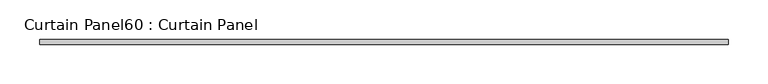
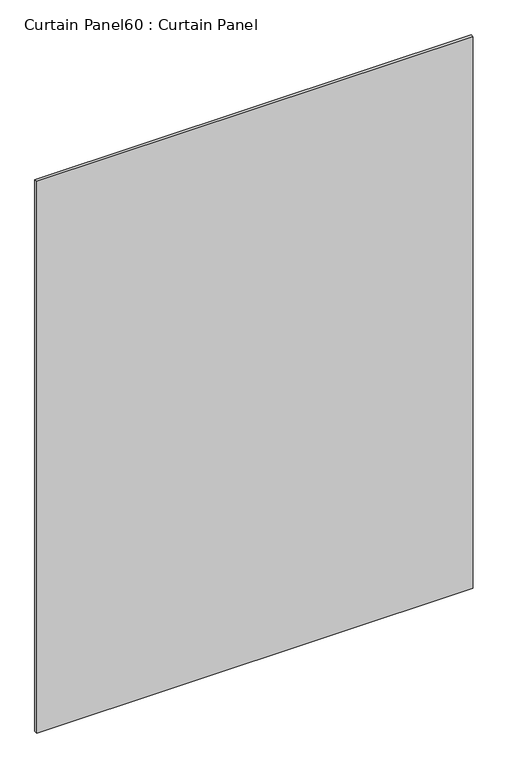
"""IFC4 building model written with IfcOpenShell, lengths in millimetres: plate geometry, Curtain Panel60 : Curtain Panel."""

import ifcopenshell
import ifcopenshell.guid

model = None  # the IFC model being written
_history = None  # IfcOwnerHistory: only IFC2X3 demands one
_inside = {}  # id of a spatial element -> (the spatial element, [elements in it])
_under = {}  # id of a project, library or spatial element -> (it, [spatial elements below it])
_declared = {}  # id of a project -> (the project, [libraries it declares])
_typed = {}  # id of a type object -> (the type object, [elements of that type])
_made_of = {}  # id of a material, layer set ... -> (it, [elements and type objects made of it])


def new_model(schema):
    """Start an empty IFC model of exactly this schema.

    Asked for "IFC4X3", IfcOpenShell would pick the latest addendum, in which some entities
    have other attributes; the version numbers below select the first issue.
    IFC2X3 requires an IfcOwnerHistory on every rooted entity: one is made here for all.
    """
    global model, _history
    if schema == "IFC4X3":
        model = ifcopenshell.file(schema_version=(4, 3, 0, 0))
    else:
        model = ifcopenshell.file(schema=schema)
    _inside.clear()
    _under.clear()
    _declared.clear()
    _typed.clear()
    _made_of.clear()
    _history = None
    if model.schema == "IFC2X3":
        org = make("IfcOrganization", Name="unknown")
        user = make(
            "IfcPersonAndOrganization",
            ThePerson=make("IfcPerson", FamilyName="unknown"),
            TheOrganization=org,
        )
        app = make(
            "IfcApplication",
            ApplicationDeveloper=org,
            Version="unknown",
            ApplicationFullName="unknown",
            ApplicationIdentifier="unknown",
        )
        _history = make(
            "IfcOwnerHistory",
            OwningUser=user,
            OwningApplication=app,
            ChangeAction="ADDED",
            CreationDate=0,
        )
    return model


def make(cls, **values):
    """One entity of the class cls with the attributes given. An attribute that is None is left unset."""
    return model.create_entity(
        cls, **{name: value for name, value in values.items() if value is not None}
    )


def rooted(cls, **values):
    """An entity with a GlobalId (a new one), such as an element, a storey or a relation."""
    return make(cls, GlobalId=ifcopenshell.guid.new(), OwnerHistory=_history, **values)


def si_unit(unit_type, name, prefix=None):
    """IfcSIUnit, for example si_unit("LENGTHUNIT", "METRE", prefix="MILLI")."""
    return make("IfcSIUnit", UnitType=unit_type, Prefix=prefix, Name=name)


def assignment(units):
    """IfcUnitAssignment: the units of a project."""
    return None if units is None else make("IfcUnitAssignment", Units=units)


def point(xyz):
    """IfcCartesianPoint."""
    return None if xyz is None else make("IfcCartesianPoint", Coordinates=xyz)


def direction(xyz):
    """IfcDirection."""
    return None if xyz is None else make("IfcDirection", DirectionRatios=xyz)


def frame(location, z_axis=None, x_axis=None):
    """IfcAxis2Placement3D, a coordinate frame: its origin and axes. An axis left out is left unset."""
    return make(
        "IfcAxis2Placement3D",
        Location=point(location),
        Axis=direction(z_axis),
        RefDirection=direction(x_axis),
    )


def origin():
    """The frame at (0, 0, 0) with its axes left unset."""
    return frame((0.0, 0.0, 0.0))


def place(relative_to, where):
    """IfcLocalPlacement: puts the frame where relative to a parent placement (None: the world)."""
    return make(
        "IfcLocalPlacement", PlacementRelTo=relative_to, RelativePlacement=where
    )


def context(
    kind, dimensions, precision=None, world=None, true_north=None, identifier=None
):
    """IfcGeometricRepresentationContext, for example the 3D "Model" context."""
    return make(
        "IfcGeometricRepresentationContext",
        ContextIdentifier=identifier,
        ContextType=kind,
        CoordinateSpaceDimension=dimensions,
        Precision=precision,
        WorldCoordinateSystem=world,
        TrueNorth=true_north,
    )


def project(units=None, contexts=None):
    """IfcProject with its units and contexts."""
    return rooted(
        "IfcProject",
        Name="project",
        RepresentationContexts=contexts,
        UnitsInContext=assignment(units),
    )


def spatial(cls, under=None, at=None, **own):
    """A site, building, storey or space (cls), placed at a placement, below another one or the project."""
    s = rooted(cls, ObjectPlacement=at, **own)
    if under is not None:
        _under.setdefault(under.id(), (under, []))[1].append(s)
    return s


def polyline(points):
    """IfcPolyline through the points."""
    return make("IfcPolyline", Points=[point(p) for p in points])


def outline(outer, holes=None, kind="AREA"):
    """IfcArbitraryClosedProfileDef: a profile drawn as a closed curve; with holes, ...WithVoids."""
    if holes is None:
        return make("IfcArbitraryClosedProfileDef", ProfileType=kind, OuterCurve=outer)
    return make(
        "IfcArbitraryProfileDefWithVoids",
        ProfileType=kind,
        OuterCurve=outer,
        InnerCurves=holes,
    )


def extrude(swept, where, along, depth):
    """IfcExtrudedAreaSolid: the profile swept, set in the frame where, extruded along a direction by depth."""
    return make(
        "IfcExtrudedAreaSolid",
        SweptArea=swept,
        Position=where,
        ExtrudedDirection=direction(along),
        Depth=depth,
    )


def shape(context_of_items, identifier, shape_type, items):
    """IfcShapeRepresentation: the items that make up one representation, for example the "Body"."""
    return make(
        "IfcShapeRepresentation",
        ContextOfItems=context_of_items,
        RepresentationIdentifier=identifier,
        RepresentationType=shape_type,
        Items=items,
    )


def source(mapping_origin, context_of_items, identifier, shape_type, items):
    """IfcRepresentationMap: a shape defined once, which mapped items show again and again."""
    return make(
        "IfcRepresentationMap",
        MappingOrigin=mapping_origin,
        MappedRepresentation=shape(context_of_items, identifier, shape_type, items),
    )


def transform(
    local_origin,
    x_axis=None,
    y_axis=None,
    z_axis=None,
    scale=None,
    scale2=None,
    scale3=None,
    uniform=True,
):
    """IfcCartesianTransformationOperator3D, or its non-uniform kind. x_axis, y_axis, z_axis: its Axis1, 2, 3."""
    if uniform:
        return make(
            "IfcCartesianTransformationOperator3D",
            Axis1=direction(x_axis),
            Axis2=direction(y_axis),
            LocalOrigin=point(local_origin),
            Scale=scale,
            Axis3=direction(z_axis),
        )
    return make(
        "IfcCartesianTransformationOperator3DnonUniform",
        Axis1=direction(x_axis),
        Axis2=direction(y_axis),
        LocalOrigin=point(local_origin),
        Scale=scale,
        Axis3=direction(z_axis),
        Scale2=scale2,
        Scale3=scale3,
    )


def mapped(mapping_source, mapping_target):
    """IfcMappedItem: shows the shape of a source again, moved by a transform."""
    return make(
        "IfcMappedItem", MappingSource=mapping_source, MappingTarget=mapping_target
    )


def made_of(thing, what):
    """Note that an element or type object is made of a material, layer set ...; save() writes the relation."""
    if what is not None:
        _made_of.setdefault(what.id(), (what, []))[1].append(thing)
    return thing


def element(
    cls,
    number,
    at=None,
    inside=None,
    cuts=None,
    type_object=None,
    material=None,
    context=None,
    identifier="Body",
    shape_type=None,
    held_by="IfcProductDefinitionShape",
    body=None,
    shapes=None,
    **own,
):
    """One element of the class cls, such as IfcWall. Its Tag is "e" and its number.

    at: its placement. inside: the storey or other place that contains it. cuts: it is an
    opening in that element (IfcRelVoidsElement). A single representation is given by context,
    identifier, shape_type and body (its items); several are given by shapes. held_by: the class
    of the entity that holds the representations. save() writes the other relations.
    """
    e = rooted(cls, Tag="e%d" % number, ObjectPlacement=at, **own)
    if body is not None:
        shapes = [shape(context, identifier, shape_type, body)]
    if shapes is not None:
        e.Representation = make(held_by, Representations=shapes)
    if inside is not None:
        _inside.setdefault(inside.id(), (inside, []))[1].append(e)
    if cuts is not None:
        rooted(
            "IfcRelVoidsElement", RelatingBuildingElement=cuts, RelatedOpeningElement=e
        )
    if type_object is not None:
        _typed.setdefault(type_object.id(), (type_object, []))[1].append(e)
    return made_of(e, material)


def aggregate(whole, parts):
    """IfcRelAggregates: a whole, such as a stair, and the parts it consists of."""
    return rooted("IfcRelAggregates", RelatingObject=whole, RelatedObjects=parts)


def save(model, path):
    """Write the relations noted so far, then the file.

    IfcRelAggregates (storeys below a building ...), IfcRelContainedInSpatialStructure (elements
    in a storey), IfcRelDefinesByType, IfcRelAssociatesMaterial and IfcRelDeclares: one each for
    every whole, place, type object, material and project.
    """
    for whole, parts in _under.values():
        aggregate(whole, parts)
    for where, things in _inside.values():
        rooted(
            "IfcRelContainedInSpatialStructure",
            RelatedElements=things,
            RelatingStructure=where,
        )
    for kind, things in _typed.values():
        rooted("IfcRelDefinesByType", RelatedObjects=things, RelatingType=kind)
    for what, things in _made_of.values():
        rooted("IfcRelAssociatesMaterial", RelatedObjects=things, RelatingMaterial=what)
    for by, libraries in _declared.values():
        rooted("IfcRelDeclares", RelatingContext=by, RelatedDefinitions=libraries)
    model.write(path)


def curtain_panel60_curtain_panel_c5cd5b5b(model_context):
    return source(origin(), model_context, "Body", "SweptSolid", [
        extrude(outline(polyline([(-38326.4941223, 3065.0120393), (-39196.242908, 3065.0120393), (-39196.242908, 3071.3620393), (-38326.4941223, 3071.3620393), (-38326.4941223, 3065.0120393)])), frame((0.0, 0.0, 41.2475281), z_axis=(0.0, 0.0, 1.0), x_axis=(1.0, 0.0, 0.0)), (0.0, 0.0, 1.0), 1161.8869719),
    ])


if __name__ == "__main__":
    model = new_model("IFC4")
    model_context = context("Model", 3, world=origin())
    ifc_project = project(units=[si_unit("LENGTHUNIT", "METRE", prefix="MILLI")], contexts=[model_context])
    site = spatial("IfcSite", under=ifc_project)
    building = spatial("IfcBuilding", under=site)
    placement = place(None, origin())
    curtain_panel60_curtain_panel_shape = curtain_panel60_curtain_panel_c5cd5b5b(model_context)
    element("IfcPlate", 1, ObjectType="Curtain Panel60 : Curtain Panel", at=placement, inside=building, context=model_context, shape_type="MappedRepresentation", body=[
        mapped(curtain_panel60_curtain_panel_shape, transform((0.0, 0.0, 0.0), x_axis=(1.0, 0.0, 0.0), y_axis=(0.0, 1.0, 0.0), z_axis=(0.0, 0.0, 1.0))),
    ])
    save(model, "model.ifc")
